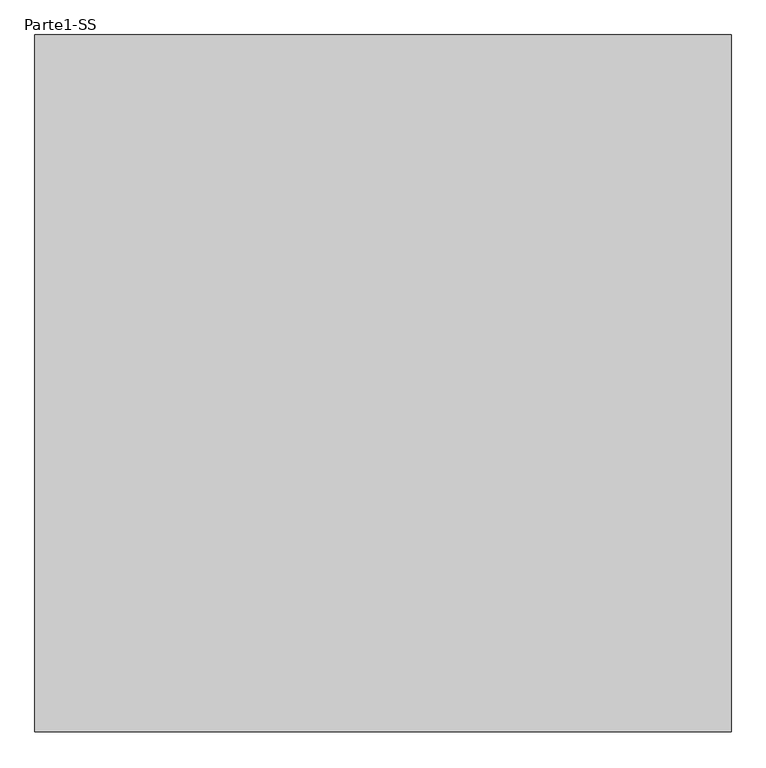
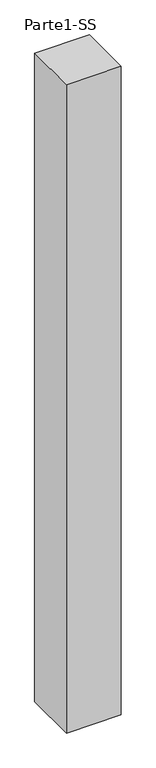
"""IFC4 building model written with IfcOpenShell, lengths in millimetres: proxy geometry, Parte1-SS."""

from ifc_helpers import new_model, si_unit, frame, origin, place, context, project, spatial, polyline, outline, extrude, source, transform, mapped, element, save


def parte1_ss_f3847808(model_context):
    return source(origin(), model_context, "Body", "SweptSolid", [
        extrude(outline(polyline([(2000.0, 2000.0), (2000.0, 0.0), (0.0, 0.0), (0.0, 2000.0), (2000.0, 2000.0)])), frame((0.0, 0.0, 10000.0), z_axis=(0.0, 0.0, 1.0), x_axis=(1.0, 0.0, 0.0)), (0.0, 0.0, 1.0), 25000.0),
    ])


if __name__ == "__main__":
    model = new_model("IFC4")
    model_context = context("Model", 3, world=origin())
    ifc_project = project(units=[si_unit("LENGTHUNIT", "METRE", prefix="MILLI")], contexts=[model_context])
    site = spatial("IfcSite", under=ifc_project)
    building = spatial("IfcBuilding", under=site)
    placement = place(None, origin())
    parte1_ss_shape = parte1_ss_f3847808(model_context)
    element("IfcBuildingElementProxy", 1, Name="Parte1-SS", ObjectType="Parte1-SS", at=placement, inside=building, context=model_context, shape_type="MappedRepresentation", body=[
        mapped(parte1_ss_shape, transform((0.0, 0.0, 0.0), x_axis=(1.0, 0.0, 0.0), y_axis=(0.0, 1.0, 0.0), z_axis=(0.0, 0.0, 1.0))),
    ])
    save(model, "model.ifc")
